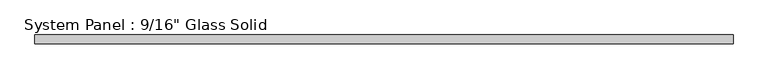
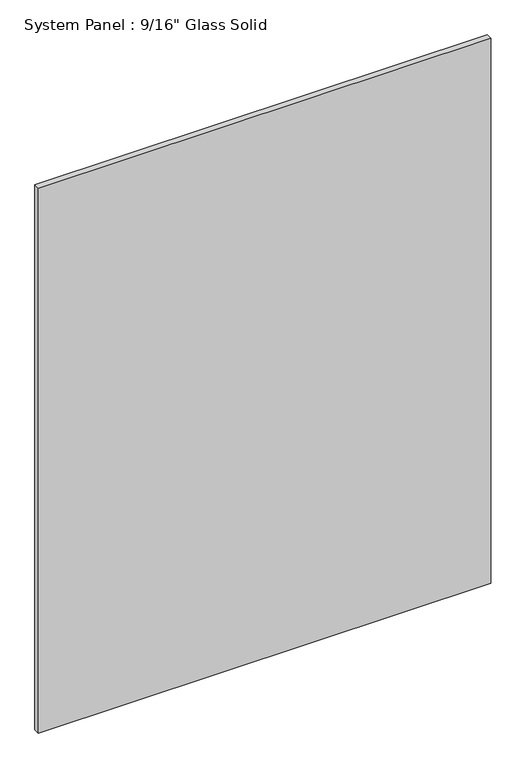
"""IFC4 building model written with IfcOpenShell, lengths in millimetres: plate geometry."""

from ifc_helpers import new_model, si_unit, origin, origin_with_axes, place, context, project, spatial, polyline, outline, extrude, source, transform, mapped, element, save


def plate_0349e05d(model_context):
    return source(origin(), model_context, "Body", "SweptSolid", [
        extrude(outline(polyline([(558.2220691, -7.14375), (-558.2220691, -7.14375), (-558.2220691, 7.14375), (558.2220691, 7.14375), (558.2220691, -7.14375)])), origin_with_axes(), (0.0, 0.0, 1.0), 1422.2894027),
    ])


if __name__ == "__main__":
    model = new_model("IFC4")
    model_context = context("Model", 3, world=origin())
    ifc_project = project(units=[si_unit("LENGTHUNIT", "METRE", prefix="MILLI")], contexts=[model_context])
    site = spatial("IfcSite", under=ifc_project)
    building = spatial("IfcBuilding", under=site)
    placement = place(None, origin())
    plate_shape = plate_0349e05d(model_context)
    element("IfcPlate", 1, ObjectType="System Panel : 9/16\" Glass Solid", at=placement, inside=building, context=model_context, shape_type="MappedRepresentation", body=[
        mapped(plate_shape, transform((0.0, 0.0, 0.0), x_axis=(1.0, 0.0, 0.0), y_axis=(0.0, 1.0, 0.0), z_axis=(0.0, 0.0, 1.0))),
    ])
    save(model, "model.ifc")
